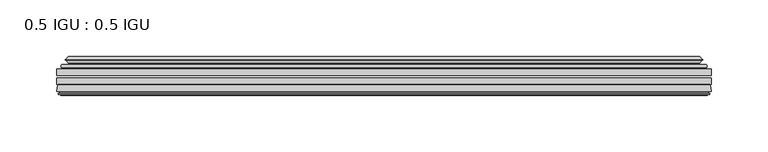
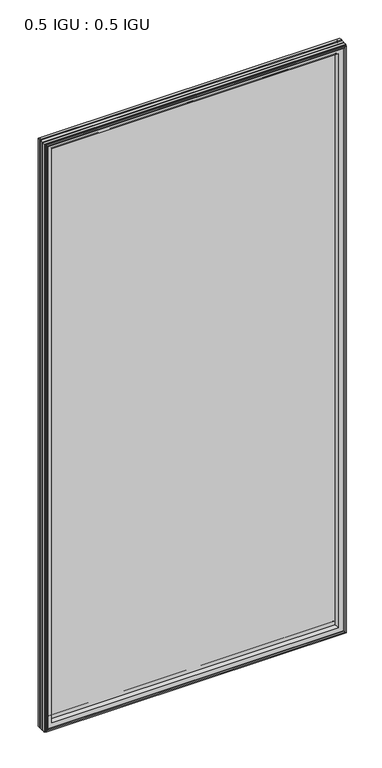
"""IFC4 building model written with IfcOpenShell, lengths in millimetres: plate geometry, 0.5 IGU : 0.5 IGU."""

from ifc_helpers import new_model, si_unit, frame, origin, place, context, project, spatial, polyline, ellipse_curve, outline, extrude, source, transform, mapped, element, save
from ifc_brep_helpers import plane_surface, cylinder_surface, revolved_surface, advanced_brep


def plate_0_5_igu_0_5_igu_9bc07a29(model_context):
    return source(origin(), model_context, "Body", "SolidModel", [
        extrude(outline(polyline([(287.351675, -55.82285), (287.351675, -61.48705), (-287.3375, -61.48705), (-287.3375, -55.82285), (287.351675, -55.82285)])), frame((0.0, 0.0, -14.2875), z_axis=(0.0, 0.0, 1.0), x_axis=(1.0, 0.0, 0.0)), (0.0, 0.0, 1.0), 1184.2787979),
        extrude(outline(polyline([(-287.3375, -69.05625), (-287.3375, -63.39205), (287.351675, -63.39205), (287.351675, -69.05625), (-287.3375, -69.05625)])), frame((0.0, 0.0, -14.2875), z_axis=(0.0, 0.0, 1.0), x_axis=(1.0, 0.0, 0.0)), (0.0, 0.0, 1.0), 1184.2787979),
        advanced_brep(
        [(-283.2349626, -54.3724927, 1165.8849626), (-282.1904378, -51.60645, 1164.8404378), (-282.1904378, -51.60645, -9.1404378), (-283.2349626, -54.3724927, -10.1849626), (-281.598517, -55.82285, 1164.248517), (-281.598517, -55.82285, -8.548517), (-273.05, -45.63745, 1155.7), (-269.4672761, -55.82285, 1152.1172761), (-269.4672761, -55.82285, 3.5827239), (-273.05, -45.63745, 0.0), (-278.2359109, -46.8185491, 1160.8859109), (-278.2359109, -46.8185491, -5.1859109), (-277.4388893, -44.8183085, 1160.0888893), (-277.4388893, -44.8183085, -4.3888893), (-279.7226111, -47.135817, 1162.3726111), (-279.7226111, -47.135817, -6.6726111), (-279.7226111, -47.8489429, 1162.3726111), (-279.7226111, -47.8489429, -6.6726111), (-277.4388893, -50.1664515, 1160.0888893), (-277.4388893, -50.1664515, -4.3888893), (-278.2282501, -48.1854367, 1160.8782501), (-278.2282501, -48.1854367, -5.1782501), (-275.7044379, -48.027045, 1158.3544379), (-275.7044379, -48.027045, -2.6544379), (-274.6786217, -48.7147544, 1157.3286217), (-274.6786217, -48.7147544, -1.6286217), (-274.7970288, -50.1092231, 1157.4470288), (-274.7970288, -50.1092231, -1.7470288), (-275.3987748, -51.60645, 1158.0487748), (-275.3987748, -51.60645, -2.3487748), (282.1904378, -51.60645, -9.1404378), (283.2349626, -54.3724927, -10.1849626), (281.598517, -55.82285, -8.548517), (269.4672761, -55.82285, 3.5827239), (273.05, -45.63745, 0.0), (278.2359109, -46.8185491, -5.1859109), (277.4388893, -44.8183085, -4.3888893), (279.7226111, -47.135817, -6.6726111), (279.7226111, -47.8489429, -6.6726111), (277.4388893, -50.1664515, -4.3888893), (278.2282501, -48.1854367, -5.1782501), (275.7044379, -48.027045, -2.6544379), (274.6786217, -48.7147544, -1.6286217), (274.7970288, -50.1092231, -1.7470288), (275.3987748, -51.60645, -2.3487748), (282.1904378, -51.60645, 1164.8404378), (283.2349626, -54.3724927, 1165.8849626), (281.598517, -55.82285, 1164.248517), (269.4672761, -55.82285, 1152.1172761), (273.05, -45.63745, 1155.7), (278.2359109, -46.8185491, 1160.8859109), (277.4388893, -44.8183085, 1160.0888893), (279.7226111, -47.135817, 1162.3726111), (279.7226111, -47.8489429, 1162.3726111), (277.4388893, -50.1664515, 1160.0888893), (278.2282501, -48.1854367, 1160.8782501), (275.7044379, -48.027045, 1158.3544379), (274.6786217, -48.7147544, 1157.3286217), (274.7970288, -50.1092231, 1157.4470288), (275.3987748, -51.60645, 1158.0487748)],
        [
            (0, 1, ellipse_curve(frame((-282.1820703, -53.1898501, 1164.8320703), z_axis=(-0.7071067811865475, 0.0, -0.7071067811865475), x_axis=(-0.7071067811865474, 0.0, 0.7071067811865476)), 2.2392971, 1.5834222)),
            (1, 2),
            (2, 3, ellipse_curve(frame((-282.1820703, -53.1898501, -9.1320703), z_axis=(-0.7071067811865475, 0.0, 0.7071067811865475), x_axis=(0.7071067811865474, 0.0, 0.7071067811865476)), 2.2392971, 1.5834222)),
            (3, 0),
            (4, 0),
            (3, 5),
            (5, 4),
            (6, 7, ellipse_curve(frame((-240.770246, -40.0058297, 1123.420246), z_axis=(0.7071067811865475, 0.0, 0.7071067811865475), x_axis=(0.7071067811865474, 0.0, -0.7071067811865476)), 46.3399971, 32.7673262)),
            (7, 8),
            (8, 9, ellipse_curve(frame((-240.770246, -40.0058297, 32.279754), z_axis=(0.7071067811865475, 0.0, -0.7071067811865475), x_axis=(-0.7071067811865474, 0.0, -0.7071067811865476)), 46.3399971, 32.7673262)),
            (9, 6),
            (10, 6),
            (9, 11),
            (11, 10),
            (12, 10),
            (11, 13),
            (13, 12),
            (14, 12),
            (13, 15),
            (15, 14),
            (16, 14, ellipse_curve(frame((-279.3607729, -47.49238, 1162.0107729), z_axis=(-0.7071067811865475, 0.0, -0.7071067811865475), x_axis=(-0.7071067811865474, 0.0, 0.7071067811865476)), 0.7184205, 0.508)),
            (15, 17, ellipse_curve(frame((-279.3607729, -47.49238, -6.3107729), z_axis=(-0.7071067811865475, 0.0, 0.7071067811865475), x_axis=(0.7071067811865474, 0.0, 0.7071067811865476)), 0.7184205, 0.508)),
            (17, 16),
            (18, 16),
            (17, 19),
            (19, 18),
            (20, 18),
            (19, 21),
            (21, 20),
            (22, 20),
            (21, 23),
            (23, 22),
            (24, 22, ellipse_curve(frame((-275.6408, -49.04105, 1158.2908), z_axis=(0.7071067811865475, 0.0, 0.7071067811865475), x_axis=(0.7071067811865474, 0.0, -0.7071067811865476)), 1.436841, 1.016)),
            (23, 25, ellipse_curve(frame((-275.6408, -49.04105, -2.5908), z_axis=(0.7071067811865475, 0.0, -0.7071067811865475), x_axis=(-0.7071067811865474, 0.0, -0.7071067811865476)), 1.436841, 1.016)),
            (25, 24),
            (26, 24, ellipse_curve(frame((-277.0124, -49.21885, 1159.6624), z_axis=(0.7071067811865475, 0.0, 0.7071067811865475), x_axis=(0.7071067811865474, 0.0, -0.7071067811865476)), 3.3765763, 2.3876)),
            (25, 27, ellipse_curve(frame((-277.0124, -49.21885, -3.9624), z_axis=(0.7071067811865475, 0.0, -0.7071067811865475), x_axis=(-0.7071067811865474, 0.0, -0.7071067811865476)), 3.3765763, 2.3876)),
            (27, 26),
            (28, 26),
            (27, 29),
            (29, 28),
            (2, 30),
            (30, 31, ellipse_curve(frame((282.1820703, -53.1898501, -9.1320703), z_axis=(-0.7071067811865475, 0.0, -0.7071067811865475), x_axis=(-0.7071067811865476, 0.0, 0.7071067811865474)), 2.2392971, 1.5834222)),
            (31, 3),
            (31, 32),
            (32, 5),
            (8, 33),
            (33, 34, ellipse_curve(frame((240.770246, -40.0058297, 32.279754), z_axis=(0.7071067811865475, 0.0, 0.7071067811865475), x_axis=(0.7071067811865476, 0.0, -0.7071067811865474)), 46.3399971, 32.7673262)),
            (34, 9),
            (34, 35),
            (35, 11),
            (35, 36),
            (36, 13),
            (36, 37),
            (37, 15),
            (37, 38, ellipse_curve(frame((279.3607729, -47.49238, -6.3107729), z_axis=(-0.7071067811865475, 0.0, -0.7071067811865475), x_axis=(-0.7071067811865476, 0.0, 0.7071067811865474)), 0.7184205, 0.508)),
            (38, 17),
            (38, 39),
            (39, 19),
            (39, 40),
            (40, 21),
            (40, 41),
            (41, 23),
            (41, 42, ellipse_curve(frame((275.6408, -49.04105, -2.5908), z_axis=(0.7071067811865475, 0.0, 0.7071067811865475), x_axis=(0.7071067811865476, 0.0, -0.7071067811865474)), 1.436841, 1.016)),
            (42, 25),
            (42, 43, ellipse_curve(frame((277.0124, -49.21885, -3.9624), z_axis=(0.7071067811865475, 0.0, 0.7071067811865475), x_axis=(0.7071067811865476, 0.0, -0.7071067811865474)), 3.3765763, 2.3876)),
            (43, 27),
            (43, 44),
            (44, 29),
            (30, 45),
            (45, 46, ellipse_curve(frame((282.1820703, -53.1898501, 1164.8320703), z_axis=(0.7071067811865475, 0.0, -0.7071067811865475), x_axis=(-0.7071067811865474, 0.0, -0.7071067811865476)), 2.2392971, 1.5834222)),
            (46, 31),
            (46, 47),
            (47, 32),
            (33, 48),
            (48, 49, ellipse_curve(frame((240.770246, -40.0058297, 1123.420246), z_axis=(-0.7071067811865475, 0.0, 0.7071067811865475), x_axis=(0.7071067811865474, 0.0, 0.7071067811865476)), 46.3399971, 32.7673262)),
            (49, 34),
            (49, 50),
            (50, 35),
            (50, 51),
            (51, 36),
            (51, 52),
            (52, 37),
            (52, 53, ellipse_curve(frame((279.3607729, -47.49238, 1162.0107729), z_axis=(0.7071067811865475, 0.0, -0.7071067811865475), x_axis=(-0.7071067811865474, 0.0, -0.7071067811865476)), 0.7184205, 0.508)),
            (53, 38),
            (53, 54),
            (54, 39),
            (54, 55),
            (55, 40),
            (55, 56),
            (56, 41),
            (56, 57, ellipse_curve(frame((275.6408, -49.04105, 1158.2908), z_axis=(-0.7071067811865475, 0.0, 0.7071067811865475), x_axis=(0.7071067811865474, 0.0, 0.7071067811865476)), 1.436841, 1.016)),
            (57, 42),
            (57, 58, ellipse_curve(frame((277.0124, -49.21885, 1159.6624), z_axis=(-0.7071067811865475, 0.0, 0.7071067811865475), x_axis=(0.7071067811865474, 0.0, 0.7071067811865476)), 3.3765763, 2.3876)),
            (58, 43),
            (58, 59),
            (59, 44),
            (45, 1),
            (0, 46),
            (4, 47),
            (7, 48),
            (6, 49),
            (10, 50),
            (12, 51),
            (14, 52),
            (16, 53),
            (18, 54),
            (20, 55),
            (22, 56),
            (24, 57),
            (26, 58),
            (28, 59),
        ],
        [
            cylinder_surface(frame((-282.1820703, -53.1898501, 1187.45), z_axis=(0.0, 0.0, 1.0), x_axis=(-1.0, 0.0, 0.0)), 1.5834222),
            plane_surface(frame((-283.2349626, -54.3724927, 1165.8849626), z_axis=(-0.6632745773184306, -0.7483761320907135, 0.0), x_axis=(0.0, 0.0, -1.0))),
            revolved_surface(polyline([(-273.5375722, -40.0058297, -0.48757218957507575), (-273.5375722, -40.0058297, 1156.187572189575)]), (-240.770246, -40.0058297, 1187.45), (0.0, 0.0, -1.0)),
            plane_surface(frame((-273.05, -45.63745, 1155.7), z_axis=(-0.2220649844278743, 0.975031867525902, 0.0), x_axis=(0.0, 0.0, -1.0))),
            plane_surface(frame((-278.2359109, -46.8185491, 1160.8859109), z_axis=(0.9289682685630282, -0.370159365683228, 0.0), x_axis=(0.0, 0.0, -1.0))),
            plane_surface(frame((-277.4388893, -44.8183085, 1160.0888893), z_axis=(-0.7122798501733507, 0.7018955869907071, 0.0), x_axis=(0.0, 0.0, -1.0))),
            cylinder_surface(frame((-279.3607729, -47.49238, 1187.45), z_axis=(0.0, 0.0, 1.0), x_axis=(-1.0, 0.0, 0.0)), 0.508),
            plane_surface(frame((-279.7226111, -47.8489429, 1162.3726111), z_axis=(-0.7122798501732925, -0.701895586990766, 0.0), x_axis=(0.0, 0.0, -1.0))),
            plane_surface(frame((-277.4388893, -50.1664515, 1160.0888893), z_axis=(0.9289682685628707, 0.3701593656836228, 0.0), x_axis=(0.0, 0.0, -1.0))),
            plane_surface(frame((-278.2282501, -48.1854367, 1160.8782501), z_axis=(0.0626357011928498, -0.9980364567169279, 0.0), x_axis=(0.0, 0.0, -1.0))),
            revolved_surface(polyline([(-276.65680000000003, -49.04105, -3.6068000145867245), (-276.65680000000003, -49.04105, 1159.3068000145868)]), (-275.6408, -49.04105, 1187.45), (0.0, 0.0, -1.0)),
            revolved_surface(polyline([(-279.40000000000003, -49.21885, -6.3499999989237494), (-279.40000000000003, -49.21885, 1162.0499999989238)]), (-277.0124, -49.21885, 1187.45), (0.0, 0.0, -1.0)),
            plane_surface(frame((-274.7970288, -50.1092231, 1157.4470288), z_axis=(-0.9278652925428184, 0.3729155385532094, 0.0), x_axis=(0.0, 0.0, -1.0))),
            cylinder_surface(frame((-304.8, -53.1898501, -9.1320703), z_axis=(-1.0, 0.0, 0.0), x_axis=(0.0, 0.0, -1.0)), 1.5834222),
            plane_surface(frame((-283.2349626, -54.3724927, -10.1849626), z_axis=(0.0, -0.7483761320907157, -0.6632745773184283), x_axis=(1.0, 0.0, 0.0))),
            revolved_surface(polyline([(273.537572189575, -40.0058297, -0.48757220000000245), (-273.5375721895749, -40.0058297, -0.48757220000000245)]), (-304.8, -40.0058297, 32.279754), (1.0, 0.0, 0.0)),
            plane_surface(frame((-273.05, -45.63745, 0.0), z_axis=(0.0, 0.9750318675259013, -0.22206498442787745), x_axis=(1.0, 0.0, 0.0))),
            plane_surface(frame((-278.2359109, -46.8185491, -5.1859109), z_axis=(0.0, -0.370159365683225, 0.9289682685630294), x_axis=(1.0, 0.0, 0.0))),
            plane_surface(frame((-277.4388893, -44.8183085, -4.3888893), z_axis=(0.0, 0.7018955869907048, -0.7122798501733529), x_axis=(1.0, 0.0, 0.0))),
            cylinder_surface(frame((-304.8, -47.49238, -6.3107729), z_axis=(-1.0, 0.0, 0.0), x_axis=(0.0, 0.0, -1.0)), 0.508),
            plane_surface(frame((-279.7226111, -47.8489429, -6.6726111), z_axis=(0.0, -0.7018955869907684, -0.7122798501732903), x_axis=(1.0, 0.0, 0.0))),
            plane_surface(frame((-277.4388893, -50.1664515, -4.3888893), z_axis=(0.0, 0.37015936568362584, 0.9289682685628696), x_axis=(1.0, 0.0, 0.0))),
            plane_surface(frame((-278.2282501, -48.1854367, -5.1782501), z_axis=(0.0, -0.9980364567169276, 0.06263570119285301), x_axis=(1.0, 0.0, 0.0))),
            revolved_surface(polyline([(276.65680001458696, -49.04105, -3.6068000000000002), (-276.65680001458685, -49.04105, -3.6068000000000002)]), (-304.8, -49.04105, -2.5908), (1.0, 0.0, 0.0)),
            revolved_surface(polyline([(279.39999999892376, -49.21885, -6.35), (-279.3999999989238, -49.21885, -6.35)]), (-304.8, -49.21885, -3.9624), (1.0, 0.0, 0.0)),
            plane_surface(frame((-274.7970288, -50.1092231, -1.7470288), z_axis=(0.0, 0.3729155385532064, -0.9278652925428196), x_axis=(1.0, 0.0, 0.0))),
            cylinder_surface(frame((282.1820703, -53.1898501, -31.75), z_axis=(0.0, 0.0, -1.0), x_axis=(1.0, 0.0, 0.0)), 1.5834222),
            plane_surface(frame((283.2349626, -54.3724927, -10.1849626), z_axis=(0.6632745773184259, -0.7483761320907178, 0.0), x_axis=(0.0, 0.0, 1.0))),
            revolved_surface(polyline([(273.5375722, -40.0058297, 1156.187572189575), (273.5375722, -40.0058297, -0.48757218957494075)]), (240.770246, -40.0058297, -31.75), (0.0, 0.0, 1.0)),
            plane_surface(frame((273.05, -45.63745, 0.0), z_axis=(0.22206498442788056, 0.9750318675259005, 0.0), x_axis=(0.0, 0.0, 1.0))),
            plane_surface(frame((278.2359109, -46.8185491, -5.1859109), z_axis=(-0.9289682685630306, -0.370159365683222, 0.0), x_axis=(0.0, 0.0, 1.0))),
            plane_surface(frame((277.4388893, -44.8183085, -4.3888893), z_axis=(0.7122798501733552, 0.7018955869907024, 0.0), x_axis=(0.0, 0.0, 1.0))),
            cylinder_surface(frame((279.3607729, -47.49238, -31.75), z_axis=(0.0, 0.0, -1.0), x_axis=(1.0, 0.0, 0.0)), 0.508),
            plane_surface(frame((279.7226111, -47.8489429, -6.6726111), z_axis=(0.712279850173288, -0.7018955869907706, 0.0), x_axis=(0.0, 0.0, 1.0))),
            plane_surface(frame((277.4388893, -50.1664515, -4.3888893), z_axis=(-0.9289682685628684, 0.37015936568362884, 0.0), x_axis=(0.0, 0.0, 1.0))),
            plane_surface(frame((278.2282501, -48.1854367, -5.1782501), z_axis=(-0.06263570119285623, -0.9980364567169274, 0.0), x_axis=(0.0, 0.0, 1.0))),
            revolved_surface(polyline([(276.65680000000003, -49.04105, 1159.3068000145868), (276.65680000000003, -49.04105, -3.606800014586863)]), (275.6408, -49.04105, -31.75), (0.0, 0.0, 1.0)),
            revolved_surface(polyline([(279.40000000000003, -49.21885, 1162.0499999989238), (279.40000000000003, -49.21885, -6.349999998923781)]), (277.0124, -49.21885, -31.75), (0.0, 0.0, 1.0)),
            plane_surface(frame((274.7970288, -50.1092231, -1.7470288), z_axis=(0.9278652925428208, 0.3729155385532034, 0.0), x_axis=(0.0, 0.0, 1.0))),
            cylinder_surface(frame((304.8, -53.1898501, 1164.8320703), z_axis=(1.0, 0.0, 0.0), x_axis=(0.0, 0.0, 1.0)), 1.5834222),
            plane_surface(frame((283.2349626, -54.3724927, 1165.8849626), z_axis=(0.0, -0.7483761320907157, 0.6632745773184283), x_axis=(-1.0, 0.0, 0.0))),
            plane_surface(frame((281.598517, -55.82285, 1164.248517), z_axis=(0.0, -1.0, 0.0), x_axis=(-1.0, 0.0, 0.0))),
            revolved_surface(polyline([(-273.537572189575, -40.0058297, 1156.1875722), (273.5375721895749, -40.0058297, 1156.1875722)]), (304.8, -40.0058297, 1123.420246), (-1.0, 0.0, 0.0)),
            plane_surface(frame((273.05, -45.63745, 1155.7), z_axis=(0.0, 0.9750318675259012, 0.22206498442787742), x_axis=(-1.0, 0.0, 0.0))),
            plane_surface(frame((278.2359109, -46.8185491, 1160.8859109), z_axis=(0.0, -0.370159365683225, -0.9289682685630294), x_axis=(-1.0, 0.0, 0.0))),
            plane_surface(frame((277.4388893, -44.8183085, 1160.0888893), z_axis=(0.0, 0.7018955869907048, 0.7122798501733529), x_axis=(-1.0, 0.0, 0.0))),
            cylinder_surface(frame((304.8, -47.49238, 1162.0107729), z_axis=(1.0, 0.0, 0.0), x_axis=(0.0, 0.0, 1.0)), 0.508),
            plane_surface(frame((279.7226111, -47.8489429, 1162.3726111), z_axis=(0.0, -0.7018955869907684, 0.7122798501732903), x_axis=(-1.0, 0.0, 0.0))),
            plane_surface(frame((277.4388893, -50.1664515, 1160.0888893), z_axis=(0.0, 0.37015936568362584, -0.9289682685628696), x_axis=(-1.0, 0.0, 0.0))),
            plane_surface(frame((278.2282501, -48.1854367, 1160.8782501), z_axis=(0.0, -0.9980364567169276, -0.06263570119285301), x_axis=(-1.0, 0.0, 0.0))),
            revolved_surface(polyline([(-276.65680001458696, -49.04105, 1159.3068), (276.65680001458685, -49.04105, 1159.3068)]), (304.8, -49.04105, 1158.2908), (-1.0, 0.0, 0.0)),
            revolved_surface(polyline([(-279.39999999892376, -49.21885, 1162.05), (279.3999999989238, -49.21885, 1162.05)]), (304.8, -49.21885, 1159.6624), (-1.0, 0.0, 0.0)),
            plane_surface(frame((274.7970288, -50.1092231, 1157.4470288), z_axis=(0.0, 0.3729155385532064, 0.9278652925428196), x_axis=(-1.0, 0.0, 0.0))),
            plane_surface(frame((275.3987748, -51.60645, 1158.0487748), z_axis=(0.0, 1.0, 0.0), x_axis=(-1.0, 0.0, 0.0))),
        ],
        [
            (0, [[1, 2, 3, 4]]),
            (1, [[5, -4, 6, 7]]),
            (2, [[8, 9, 10, 11]]),
            (3, [[12, -11, 13, 14]]),
            (4, [[15, -14, 16, 17]]),
            (5, [[18, -17, 19, 20]]),
            (6, [[21, -20, 22, 23]]),
            (7, [[24, -23, 25, 26]]),
            (8, [[27, -26, 28, 29]]),
            (9, [[30, -29, 31, 32]]),
            (10, [[33, -32, 34, 35]]),
            (11, [[36, -35, 37, 38]]),
            (12, [[39, -38, 40, 41]]),
            (13, [[-3, 42, 43, 44]]),
            (14, [[-6, -44, 45, 46]]),
            (15, [[-10, 47, 48, 49]]),
            (16, [[-13, -49, 50, 51]]),
            (17, [[-16, -51, 52, 53]]),
            (18, [[-19, -53, 54, 55]]),
            (19, [[-22, -55, 56, 57]]),
            (20, [[-25, -57, 58, 59]]),
            (21, [[-28, -59, 60, 61]]),
            (22, [[-31, -61, 62, 63]]),
            (23, [[-34, -63, 64, 65]]),
            (24, [[-37, -65, 66, 67]]),
            (25, [[-40, -67, 68, 69]]),
            (26, [[-43, 70, 71, 72]]),
            (27, [[-45, -72, 73, 74]]),
            (28, [[-48, 75, 76, 77]]),
            (29, [[-50, -77, 78, 79]]),
            (30, [[-52, -79, 80, 81]]),
            (31, [[-54, -81, 82, 83]]),
            (32, [[-56, -83, 84, 85]]),
            (33, [[-58, -85, 86, 87]]),
            (34, [[-60, -87, 88, 89]]),
            (35, [[-62, -89, 90, 91]]),
            (36, [[-64, -91, 92, 93]]),
            (37, [[-66, -93, 94, 95]]),
            (38, [[-68, -95, 96, 97]]),
            (39, [[-71, 98, -1, 99]]),
            (40, [[-73, -99, -5, 100]]),
            (41, [[-46, -74, -100, -7], [101, -75, -47, -9]]),
            (42, [[-76, -101, -8, 102]]),
            (43, [[-78, -102, -12, 103]]),
            (44, [[-80, -103, -15, 104]]),
            (45, [[-82, -104, -18, 105]]),
            (46, [[-84, -105, -21, 106]]),
            (47, [[-86, -106, -24, 107]]),
            (48, [[-88, -107, -27, 108]]),
            (49, [[-90, -108, -30, 109]]),
            (50, [[-92, -109, -33, 110]]),
            (51, [[-94, -110, -36, 111]]),
            (52, [[-96, -111, -39, 112]]),
            (53, [[-98, -70, -42, -2], [-69, -97, -112, -41]]),
        ],
    ),
        advanced_brep(
        [(-287.3502, -75.40625, 1170.0002), (-286.6554162, -69.7476901, 1169.3054162), (-286.6554162, -69.7476901, -13.6054162), (-287.3502, -75.40625, -14.3002), (-284.9626, -77.3973143, 1167.6126), (-285.4198, -75.40625, 1168.0698), (-285.4198, -75.40625, -12.3698), (-284.9626, -77.3973143, -11.9126), (-285.9639619, -77.1290001, 1168.6139619), (-285.9639619, -77.1290001, -12.9139619), (-286.2072, -78.0367772, 1168.8572), (-286.2072, -78.0367772, -13.1572), (-284.1752, -78.58125, 1166.8252), (-284.1752, -78.58125, -11.1252), (-282.1432, -78.0367772, 1164.7932), (-282.1432, -78.0367772, -9.0932), (-282.3864381, -77.1290001, 1165.0364381), (-282.3864381, -77.1290001, -9.3364381), (-283.3878, -77.3973143, 1166.0378), (-283.3878, -77.3973143, -10.3378), (-282.9306, -75.40625, 1165.5806), (-282.9306, -75.40625, -9.8806), (-269.4605369, -69.05625, 1152.1105369), (-273.05, -75.40625, 1155.7), (-273.05, -75.40625, 0.0), (-269.4605369, -69.05625, 3.5894631), (-285.8738854, -69.05625, 1168.5238854), (-285.8738854, -69.05625, -12.8238854), (286.6554162, -69.7476901, -13.6054162), (287.3502, -75.40625, -14.3002), (285.4198, -75.40625, -12.3698), (284.9626, -77.3973143, -11.9126), (285.9639619, -77.1290001, -12.9139619), (286.2072, -78.0367772, -13.1572), (284.1752, -78.58125, -11.1252), (282.1432, -78.0367772, -9.0932), (282.3864381, -77.1290001, -9.3364381), (283.3878, -77.3973143, -10.3378), (282.9306, -75.40625, -9.8806), (273.05, -75.40625, 0.0), (269.4605369, -69.05625, 3.5894631), (285.8738854, -69.05625, -12.8238854), (286.6554162, -69.7476901, 1169.3054162), (287.3502, -75.40625, 1170.0002), (285.4198, -75.40625, 1168.0698), (284.9626, -77.3973143, 1167.6126), (285.9639619, -77.1290001, 1168.6139619), (286.2072, -78.0367772, 1168.8572), (284.1752, -78.58125, 1166.8252), (282.1432, -78.0367772, 1164.7932), (282.3864381, -77.1290001, 1165.0364381), (283.3878, -77.3973143, 1166.0378), (282.9306, -75.40625, 1165.5806), (273.05, -75.40625, 1155.7), (269.4605369, -69.05625, 1152.1105369), (285.8738854, -69.05625, 1168.5238854)],
        [
            (0, 1),
            (1, 2),
            (2, 3),
            (3, 0),
            (4, 5),
            (5, 6),
            (6, 7),
            (7, 4),
            (8, 4),
            (7, 9),
            (9, 8),
            (10, 8),
            (9, 11),
            (11, 10),
            (12, 10),
            (11, 13),
            (13, 12),
            (14, 12),
            (13, 15),
            (15, 14),
            (16, 14),
            (15, 17),
            (17, 16),
            (18, 16),
            (17, 19),
            (19, 18),
            (20, 18),
            (19, 21),
            (21, 20),
            (22, 23, ellipse_curve(frame((-264.5737114, -76.0081323, 1147.2237114), z_axis=(0.7071067811865475, 0.0, 0.7071067811865475), x_axis=(0.7071067811865474, 0.0, -0.7071067811865476)), 12.0174649, 8.4976309)),
            (23, 24),
            (24, 25, ellipse_curve(frame((-264.5737114, -76.0081323, 8.4762886), z_axis=(0.7071067811865475, 0.0, -0.7071067811865475), x_axis=(-0.7071067811865474, 0.0, -0.7071067811865476)), 12.0174649, 8.4976309)),
            (25, 22),
            (1, 26, ellipse_curve(frame((-285.8738854, -69.84365, 1168.5238854), z_axis=(-0.7071067811865475, 0.0, -0.7071067811865475), x_axis=(-0.7071067811865474, 0.0, 0.7071067811865476)), 1.1135518, 0.7874)),
            (26, 27),
            (27, 2, ellipse_curve(frame((-285.8738854, -69.84365, -12.8238854), z_axis=(-0.7071067811865475, 0.0, 0.7071067811865475), x_axis=(0.7071067811865474, 0.0, 0.7071067811865476)), 1.1135518, 0.7874)),
            (2, 28),
            (28, 29),
            (29, 3),
            (6, 30),
            (30, 31),
            (31, 7),
            (31, 32),
            (32, 9),
            (32, 33),
            (33, 11),
            (33, 34),
            (34, 13),
            (34, 35),
            (35, 15),
            (35, 36),
            (36, 17),
            (36, 37),
            (37, 19),
            (37, 38),
            (38, 21),
            (24, 39),
            (39, 40, ellipse_curve(frame((264.5737114, -76.0081323, 8.4762886), z_axis=(0.7071067811865475, 0.0, 0.7071067811865475), x_axis=(0.7071067811865476, 0.0, -0.7071067811865474)), 12.0174649, 8.4976309)),
            (40, 25),
            (27, 41),
            (41, 28, ellipse_curve(frame((285.8738854, -69.84365, -12.8238854), z_axis=(-0.7071067811865475, 0.0, -0.7071067811865475), x_axis=(-0.7071067811865476, 0.0, 0.7071067811865474)), 1.1135518, 0.7874)),
            (28, 42),
            (42, 43),
            (43, 29),
            (30, 44),
            (44, 45),
            (45, 31),
            (45, 46),
            (46, 32),
            (46, 47),
            (47, 33),
            (47, 48),
            (48, 34),
            (48, 49),
            (49, 35),
            (49, 50),
            (50, 36),
            (50, 51),
            (51, 37),
            (51, 52),
            (52, 38),
            (39, 53),
            (53, 54, ellipse_curve(frame((264.5737114, -76.0081323, 1147.2237114), z_axis=(-0.7071067811865475, 0.0, 0.7071067811865475), x_axis=(0.7071067811865474, 0.0, 0.7071067811865476)), 12.0174649, 8.4976309)),
            (54, 40),
            (41, 55),
            (55, 42, ellipse_curve(frame((285.8738854, -69.84365, 1168.5238854), z_axis=(0.7071067811865475, 0.0, -0.7071067811865475), x_axis=(-0.7071067811865474, 0.0, -0.7071067811865476)), 1.1135518, 0.7874)),
            (42, 1),
            (0, 43),
            (5, 44),
            (4, 45),
            (8, 46),
            (10, 47),
            (12, 48),
            (14, 49),
            (16, 50),
            (18, 51),
            (20, 52),
            (23, 53),
            (22, 54),
            (26, 55),
        ],
        [
            plane_surface(frame((-286.6554162, -69.7476901, 1169.3054162), z_axis=(-0.992546151641325, 0.12186934340512404, 0.0), x_axis=(0.0, 0.0, -1.0))),
            plane_surface(frame((-285.4198, -75.40625, 1168.0698), z_axis=(-0.9746347637895902, -0.223801423616584, 0.0), x_axis=(0.0, 0.0, -1.0))),
            plane_surface(frame((-284.9626, -77.3973143, 1167.6126), z_axis=(0.2588190451026526, 0.965925826289033, 0.0), x_axis=(0.0, 0.0, -1.0))),
            plane_surface(frame((-285.9639619, -77.1290001, 1168.6139619), z_axis=(-0.9659258262890449, 0.2588190451026083, 0.0), x_axis=(0.0, 0.0, -1.0))),
            plane_surface(frame((-286.2072, -78.0367772, 1168.8572), z_axis=(-0.2588190451024403, -0.96592582628909, 0.0), x_axis=(0.0, 0.0, -1.0))),
            plane_surface(frame((-284.1752, -78.58125, 1166.8252), z_axis=(0.2588190451025434, -0.9659258262890623, 0.0), x_axis=(0.0, 0.0, -1.0))),
            plane_surface(frame((-282.1432, -78.0367772, 1164.7932), z_axis=(0.9659258262891713, 0.25881904510213655, 0.0), x_axis=(0.0, 0.0, -1.0))),
            plane_surface(frame((-282.3864381, -77.1290001, 1165.0364381), z_axis=(-0.25881904510234177, 0.9659258262891163, 0.0), x_axis=(0.0, 0.0, -1.0))),
            plane_surface(frame((-283.3878, -77.3973143, 1166.0378), z_axis=(0.9746347637895849, -0.2238014236166074, 0.0), x_axis=(0.0, 0.0, -1.0))),
            revolved_surface(polyline([(-273.07134229999997, -76.0081323, -0.021342323461112755), (-273.07134229999997, -76.0081323, 1155.7213423234612)]), (-264.5737114, -76.0081323, 1187.45), (0.0, 0.0, -1.0)),
            cylinder_surface(frame((-285.8738854, -69.84365, 1187.45), z_axis=(0.0, 0.0, 1.0), x_axis=(-1.0, 0.0, 0.0)), 0.7874),
            plane_surface(frame((-286.6554162, -69.7476901, -13.6054162), z_axis=(0.0, 0.12186934340512084, -0.9925461516413254), x_axis=(1.0, 0.0, 0.0))),
            plane_surface(frame((-285.4198, -75.40625, -12.3698), z_axis=(0.0, -0.22380142361658714, -0.9746347637895896), x_axis=(1.0, 0.0, 0.0))),
            plane_surface(frame((-284.9626, -77.3973143, -11.9126), z_axis=(0.0, 0.9659258262890339, 0.25881904510264947), x_axis=(1.0, 0.0, 0.0))),
            plane_surface(frame((-285.9639619, -77.1290001, -12.9139619), z_axis=(0.0, 0.25881904510260517, -0.9659258262890458), x_axis=(1.0, 0.0, 0.0))),
            plane_surface(frame((-286.2072, -78.0367772, -13.1572), z_axis=(0.0, -0.9659258262890907, -0.25881904510243714), x_axis=(1.0, 0.0, 0.0))),
            plane_surface(frame((-284.1752, -78.58125, -11.1252), z_axis=(0.0, -0.9659258262890614, 0.2588190451025465), x_axis=(1.0, 0.0, 0.0))),
            plane_surface(frame((-282.1432, -78.0367772, -9.0932), z_axis=(0.0, 0.25881904510213966, 0.9659258262891705), x_axis=(1.0, 0.0, 0.0))),
            plane_surface(frame((-282.3864381, -77.1290001, -9.3364381), z_axis=(0.0, 0.9659258262891154, -0.2588190451023449), x_axis=(1.0, 0.0, 0.0))),
            plane_surface(frame((-283.3878, -77.3973143, -10.3378), z_axis=(0.0, -0.22380142361660427, 0.9746347637895856), x_axis=(1.0, 0.0, 0.0))),
            revolved_surface(polyline([(273.07134232346135, -76.0081323, -0.02134230000000059), (-273.0713423234613, -76.0081323, -0.02134230000000059)]), (-304.8, -76.0081323, 8.4762886), (1.0, 0.0, 0.0)),
            cylinder_surface(frame((-304.8, -69.84365, -12.8238854), z_axis=(-1.0, 0.0, 0.0), x_axis=(0.0, 0.0, -1.0)), 0.7874),
            plane_surface(frame((286.6554162, -69.7476901, -13.6054162), z_axis=(0.9925461516413258, 0.12186934340511764, 0.0), x_axis=(0.0, 0.0, 1.0))),
            plane_surface(frame((285.4198, -75.40625, -12.3698), z_axis=(0.9746347637895889, -0.22380142361659028, 0.0), x_axis=(0.0, 0.0, 1.0))),
            plane_surface(frame((284.9626, -77.3973143, -11.9126), z_axis=(-0.25881904510264636, 0.9659258262890348, 0.0), x_axis=(0.0, 0.0, 1.0))),
            plane_surface(frame((285.9639619, -77.1290001, -12.9139619), z_axis=(0.9659258262890467, 0.25881904510260206, 0.0), x_axis=(0.0, 0.0, 1.0))),
            plane_surface(frame((286.2072, -78.0367772, -13.1572), z_axis=(0.25881904510243403, -0.9659258262890916, 0.0), x_axis=(0.0, 0.0, 1.0))),
            plane_surface(frame((284.1752, -78.58125, -11.1252), z_axis=(-0.25881904510254966, -0.9659258262890607, 0.0), x_axis=(0.0, 0.0, 1.0))),
            plane_surface(frame((282.1432, -78.0367772, -9.0932), z_axis=(-0.9659258262891696, 0.25881904510214276, 0.0), x_axis=(0.0, 0.0, 1.0))),
            plane_surface(frame((282.3864381, -77.1290001, -9.3364381), z_axis=(0.25881904510234804, 0.9659258262891146, 0.0), x_axis=(0.0, 0.0, 1.0))),
            plane_surface(frame((283.3878, -77.3973143, -10.3378), z_axis=(-0.9746347637895864, -0.22380142361660116, 0.0), x_axis=(0.0, 0.0, 1.0))),
            revolved_surface(polyline([(273.07134229999997, -76.0081323, 1155.7213423234612), (273.07134229999997, -76.0081323, -0.021342323461311707)]), (264.5737114, -76.0081323, -31.75), (0.0, 0.0, 1.0)),
            cylinder_surface(frame((285.8738854, -69.84365, -31.75), z_axis=(0.0, 0.0, -1.0), x_axis=(1.0, 0.0, 0.0)), 0.7874),
            plane_surface(frame((286.6554162, -69.7476901, 1169.3054162), z_axis=(0.0, 0.12186934340512083, 0.9925461516413253), x_axis=(-1.0, 0.0, 0.0))),
            plane_surface(frame((287.3502, -75.40625, 1170.0002), z_axis=(0.0, -1.0, 0.0), x_axis=(-1.0, 0.0, 0.0))),
            plane_surface(frame((285.4198, -75.40625, 1168.0698), z_axis=(0.0, -0.22380142361658714, 0.9746347637895896), x_axis=(-1.0, 0.0, 0.0))),
            plane_surface(frame((284.9626, -77.3973143, 1167.6126), z_axis=(0.0, 0.9659258262890339, -0.25881904510264947), x_axis=(-1.0, 0.0, 0.0))),
            plane_surface(frame((285.9639619, -77.1290001, 1168.6139619), z_axis=(0.0, 0.25881904510260517, 0.9659258262890458), x_axis=(-1.0, 0.0, 0.0))),
            plane_surface(frame((286.2072, -78.0367772, 1168.8572), z_axis=(0.0, -0.9659258262890907, 0.25881904510243714), x_axis=(-1.0, 0.0, 0.0))),
            plane_surface(frame((284.1752, -78.58125, 1166.8252), z_axis=(0.0, -0.9659258262890614, -0.25881904510254655), x_axis=(-1.0, 0.0, 0.0))),
            plane_surface(frame((282.1432, -78.0367772, 1164.7932), z_axis=(0.0, 0.25881904510213966, -0.9659258262891705), x_axis=(-1.0, 0.0, 0.0))),
            plane_surface(frame((282.3864381, -77.1290001, 1165.0364381), z_axis=(0.0, 0.9659258262891155, 0.25881904510234494), x_axis=(-1.0, 0.0, 0.0))),
            plane_surface(frame((283.3878, -77.3973143, 1166.0378), z_axis=(0.0, -0.2238014236166043, -0.9746347637895857), x_axis=(-1.0, 0.0, 0.0))),
            plane_surface(frame((282.9306, -75.40625, 1165.5806), z_axis=(0.0, -1.0, 0.0), x_axis=(-1.0, 0.0, 0.0))),
            revolved_surface(polyline([(-273.07134232346135, -76.0081323, 1155.7213423), (273.0713423234613, -76.0081323, 1155.7213423)]), (304.8, -76.0081323, 1147.2237114), (-1.0, 0.0, 0.0)),
            plane_surface(frame((269.4605369, -69.05625, 1152.1105369), z_axis=(0.0, 1.0, 0.0), x_axis=(-1.0, 0.0, 0.0))),
            cylinder_surface(frame((304.8, -69.84365, 1168.5238854), z_axis=(1.0, 0.0, 0.0), x_axis=(0.0, 0.0, 1.0)), 0.7874),
        ],
        [
            (0, [[1, 2, 3, 4]]),
            (1, [[5, 6, 7, 8]]),
            (2, [[9, -8, 10, 11]]),
            (3, [[12, -11, 13, 14]]),
            (4, [[15, -14, 16, 17]]),
            (5, [[18, -17, 19, 20]]),
            (6, [[21, -20, 22, 23]]),
            (7, [[24, -23, 25, 26]]),
            (8, [[27, -26, 28, 29]]),
            (9, [[30, 31, 32, 33]]),
            (10, [[34, 35, 36, -2]]),
            (11, [[-3, 37, 38, 39]]),
            (12, [[-7, 40, 41, 42]]),
            (13, [[-10, -42, 43, 44]]),
            (14, [[-13, -44, 45, 46]]),
            (15, [[-16, -46, 47, 48]]),
            (16, [[-19, -48, 49, 50]]),
            (17, [[-22, -50, 51, 52]]),
            (18, [[-25, -52, 53, 54]]),
            (19, [[-28, -54, 55, 56]]),
            (20, [[-32, 57, 58, 59]]),
            (21, [[-36, 60, 61, -37]]),
            (22, [[-38, 62, 63, 64]]),
            (23, [[-41, 65, 66, 67]]),
            (24, [[-43, -67, 68, 69]]),
            (25, [[-45, -69, 70, 71]]),
            (26, [[-47, -71, 72, 73]]),
            (27, [[-49, -73, 74, 75]]),
            (28, [[-51, -75, 76, 77]]),
            (29, [[-53, -77, 78, 79]]),
            (30, [[-55, -79, 80, 81]]),
            (31, [[-58, 82, 83, 84]]),
            (32, [[-61, 85, 86, -62]]),
            (33, [[-63, 87, -1, 88]]),
            (34, [[-39, -64, -88, -4], [89, -65, -40, -6]]),
            (35, [[-66, -89, -5, 90]]),
            (36, [[-68, -90, -9, 91]]),
            (37, [[-70, -91, -12, 92]]),
            (38, [[-72, -92, -15, 93]]),
            (39, [[-74, -93, -18, 94]]),
            (40, [[-76, -94, -21, 95]]),
            (41, [[-78, -95, -24, 96]]),
            (42, [[-80, -96, -27, 97]]),
            (43, [[-56, -81, -97, -29], [98, -82, -57, -31]]),
            (44, [[-83, -98, -30, 99]]),
            (45, [[100, -85, -60, -35], [-59, -84, -99, -33]]),
            (46, [[-86, -100, -34, -87]]),
        ],
    ),
    ])


if __name__ == "__main__":
    model = new_model("IFC4")
    model_context = context("Model", 3, world=origin())
    ifc_project = project(units=[si_unit("LENGTHUNIT", "METRE", prefix="MILLI")], contexts=[model_context])
    site = spatial("IfcSite", under=ifc_project)
    building = spatial("IfcBuilding", under=site)
    placement = place(None, origin())
    plate_0_5_igu_0_5_igu_shape = plate_0_5_igu_0_5_igu_9bc07a29(model_context)
    element("IfcPlate", 1, ObjectType="0.5 IGU : 0.5 IGU", at=placement, inside=building, context=model_context, shape_type="MappedRepresentation", body=[
        mapped(plate_0_5_igu_0_5_igu_shape, transform((0.0, 0.0, 0.0), x_axis=(1.0, 0.0, 0.0), y_axis=(0.0, 1.0, 0.0), z_axis=(0.0, 0.0, 1.0))),
    ])
    save(model, "model.ifc")
